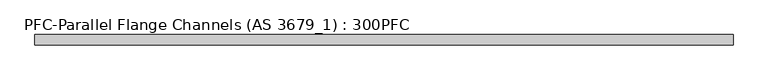
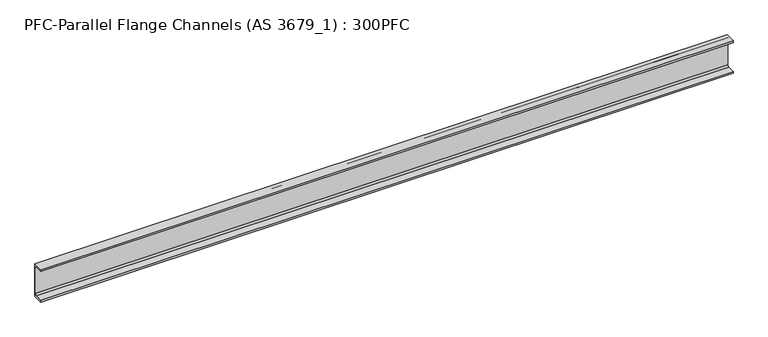
"""IFC4 building model written with IfcOpenShell, lengths in millimetres: beam geometry, PFC-Parallel Flange Channels (AS 3679_1) : 300PFC."""

import ifcopenshell
import ifcopenshell.guid

model = None  # the IFC model being written
_history = None  # IfcOwnerHistory: only IFC2X3 demands one
_inside = {}  # id of a spatial element -> (the spatial element, [elements in it])
_under = {}  # id of a project, library or spatial element -> (it, [spatial elements below it])
_declared = {}  # id of a project -> (the project, [libraries it declares])
_typed = {}  # id of a type object -> (the type object, [elements of that type])
_made_of = {}  # id of a material, layer set ... -> (it, [elements and type objects made of it])


def new_model(schema):
    """Start an empty IFC model of exactly this schema.

    Asked for "IFC4X3", IfcOpenShell would pick the latest addendum, in which some entities
    have other attributes; the version numbers below select the first issue.
    IFC2X3 requires an IfcOwnerHistory on every rooted entity: one is made here for all.
    """
    global model, _history
    if schema == "IFC4X3":
        model = ifcopenshell.file(schema_version=(4, 3, 0, 0))
    else:
        model = ifcopenshell.file(schema=schema)
    _inside.clear()
    _under.clear()
    _declared.clear()
    _typed.clear()
    _made_of.clear()
    _history = None
    if model.schema == "IFC2X3":
        org = make("IfcOrganization", Name="unknown")
        user = make(
            "IfcPersonAndOrganization",
            ThePerson=make("IfcPerson", FamilyName="unknown"),
            TheOrganization=org,
        )
        app = make(
            "IfcApplication",
            ApplicationDeveloper=org,
            Version="unknown",
            ApplicationFullName="unknown",
            ApplicationIdentifier="unknown",
        )
        _history = make(
            "IfcOwnerHistory",
            OwningUser=user,
            OwningApplication=app,
            ChangeAction="ADDED",
            CreationDate=0,
        )
    return model


def make(cls, **values):
    """One entity of the class cls with the attributes given. An attribute that is None is left unset."""
    return model.create_entity(
        cls, **{name: value for name, value in values.items() if value is not None}
    )


def rooted(cls, **values):
    """An entity with a GlobalId (a new one), such as an element, a storey or a relation."""
    return make(cls, GlobalId=ifcopenshell.guid.new(), OwnerHistory=_history, **values)


def si_unit(unit_type, name, prefix=None):
    """IfcSIUnit, for example si_unit("LENGTHUNIT", "METRE", prefix="MILLI")."""
    return make("IfcSIUnit", UnitType=unit_type, Prefix=prefix, Name=name)


def assignment(units):
    """IfcUnitAssignment: the units of a project."""
    return None if units is None else make("IfcUnitAssignment", Units=units)


def point(xyz):
    """IfcCartesianPoint."""
    return None if xyz is None else make("IfcCartesianPoint", Coordinates=xyz)


def direction(xyz):
    """IfcDirection."""
    return None if xyz is None else make("IfcDirection", DirectionRatios=xyz)


def frame(location, z_axis=None, x_axis=None):
    """IfcAxis2Placement3D, a coordinate frame: its origin and axes. An axis left out is left unset."""
    return make(
        "IfcAxis2Placement3D",
        Location=point(location),
        Axis=direction(z_axis),
        RefDirection=direction(x_axis),
    )


def frame_2d(location, x_axis=None):
    """IfcAxis2Placement2D, a coordinate frame in the plane: its origin and x axis."""
    return make(
        "IfcAxis2Placement2D", Location=point(location), RefDirection=direction(x_axis)
    )


def origin():
    """The frame at (0, 0, 0) with its axes left unset."""
    return frame((0.0, 0.0, 0.0))


def place(relative_to, where):
    """IfcLocalPlacement: puts the frame where relative to a parent placement (None: the world)."""
    return make(
        "IfcLocalPlacement", PlacementRelTo=relative_to, RelativePlacement=where
    )


def context(
    kind, dimensions, precision=None, world=None, true_north=None, identifier=None
):
    """IfcGeometricRepresentationContext, for example the 3D "Model" context."""
    return make(
        "IfcGeometricRepresentationContext",
        ContextIdentifier=identifier,
        ContextType=kind,
        CoordinateSpaceDimension=dimensions,
        Precision=precision,
        WorldCoordinateSystem=world,
        TrueNorth=true_north,
    )


def project(units=None, contexts=None):
    """IfcProject with its units and contexts."""
    return rooted(
        "IfcProject",
        Name="project",
        RepresentationContexts=contexts,
        UnitsInContext=assignment(units),
    )


def spatial(cls, under=None, at=None, **own):
    """A site, building, storey or space (cls), placed at a placement, below another one or the project."""
    s = rooted(cls, ObjectPlacement=at, **own)
    if under is not None:
        _under.setdefault(under.id(), (under, []))[1].append(s)
    return s


def polyline(points):
    """IfcPolyline through the points."""
    return make("IfcPolyline", Points=[point(p) for p in points])


def circle_curve(where, radius):
    """IfcCircle in the frame where."""
    return make("IfcCircle", Position=where, Radius=radius)


def trimmed(basis, trim1, trim2, sense, master):
    """IfcTrimmedCurve: the piece of a basis curve between two trims."""
    return make(
        "IfcTrimmedCurve",
        BasisCurve=basis,
        Trim1=trim1,
        Trim2=trim2,
        SenseAgreement=sense,
        MasterRepresentation=master,
    )


def segment(curve, same_sense, transition):
    """IfcCompositeCurveSegment."""
    return make(
        "IfcCompositeCurveSegment",
        Transition=transition,
        SameSense=same_sense,
        ParentCurve=curve,
    )


def composite_curve(segments, self_intersect=None):
    """IfcCompositeCurve: segments joined end to end."""
    return make("IfcCompositeCurve", Segments=segments, SelfIntersect=self_intersect)


def outline(outer, holes=None, kind="AREA"):
    """IfcArbitraryClosedProfileDef: a profile drawn as a closed curve; with holes, ...WithVoids."""
    if holes is None:
        return make("IfcArbitraryClosedProfileDef", ProfileType=kind, OuterCurve=outer)
    return make(
        "IfcArbitraryProfileDefWithVoids",
        ProfileType=kind,
        OuterCurve=outer,
        InnerCurves=holes,
    )


def extrude(swept, where, along, depth):
    """IfcExtrudedAreaSolid: the profile swept, set in the frame where, extruded along a direction by depth."""
    return make(
        "IfcExtrudedAreaSolid",
        SweptArea=swept,
        Position=where,
        ExtrudedDirection=direction(along),
        Depth=depth,
    )


def shape(context_of_items, identifier, shape_type, items):
    """IfcShapeRepresentation: the items that make up one representation, for example the "Body"."""
    return make(
        "IfcShapeRepresentation",
        ContextOfItems=context_of_items,
        RepresentationIdentifier=identifier,
        RepresentationType=shape_type,
        Items=items,
    )


def source(mapping_origin, context_of_items, identifier, shape_type, items):
    """IfcRepresentationMap: a shape defined once, which mapped items show again and again."""
    return make(
        "IfcRepresentationMap",
        MappingOrigin=mapping_origin,
        MappedRepresentation=shape(context_of_items, identifier, shape_type, items),
    )


def transform(
    local_origin,
    x_axis=None,
    y_axis=None,
    z_axis=None,
    scale=None,
    scale2=None,
    scale3=None,
    uniform=True,
):
    """IfcCartesianTransformationOperator3D, or its non-uniform kind. x_axis, y_axis, z_axis: its Axis1, 2, 3."""
    if uniform:
        return make(
            "IfcCartesianTransformationOperator3D",
            Axis1=direction(x_axis),
            Axis2=direction(y_axis),
            LocalOrigin=point(local_origin),
            Scale=scale,
            Axis3=direction(z_axis),
        )
    return make(
        "IfcCartesianTransformationOperator3DnonUniform",
        Axis1=direction(x_axis),
        Axis2=direction(y_axis),
        LocalOrigin=point(local_origin),
        Scale=scale,
        Axis3=direction(z_axis),
        Scale2=scale2,
        Scale3=scale3,
    )


def mapped(mapping_source, mapping_target):
    """IfcMappedItem: shows the shape of a source again, moved by a transform."""
    return make(
        "IfcMappedItem", MappingSource=mapping_source, MappingTarget=mapping_target
    )


def made_of(thing, what):
    """Note that an element or type object is made of a material, layer set ...; save() writes the relation."""
    if what is not None:
        _made_of.setdefault(what.id(), (what, []))[1].append(thing)
    return thing


def element(
    cls,
    number,
    at=None,
    inside=None,
    cuts=None,
    type_object=None,
    material=None,
    context=None,
    identifier="Body",
    shape_type=None,
    held_by="IfcProductDefinitionShape",
    body=None,
    shapes=None,
    **own,
):
    """One element of the class cls, such as IfcWall. Its Tag is "e" and its number.

    at: its placement. inside: the storey or other place that contains it. cuts: it is an
    opening in that element (IfcRelVoidsElement). A single representation is given by context,
    identifier, shape_type and body (its items); several are given by shapes. held_by: the class
    of the entity that holds the representations. save() writes the other relations.
    """
    e = rooted(cls, Tag="e%d" % number, ObjectPlacement=at, **own)
    if body is not None:
        shapes = [shape(context, identifier, shape_type, body)]
    if shapes is not None:
        e.Representation = make(held_by, Representations=shapes)
    if inside is not None:
        _inside.setdefault(inside.id(), (inside, []))[1].append(e)
    if cuts is not None:
        rooted(
            "IfcRelVoidsElement", RelatingBuildingElement=cuts, RelatedOpeningElement=e
        )
    if type_object is not None:
        _typed.setdefault(type_object.id(), (type_object, []))[1].append(e)
    return made_of(e, material)


def aggregate(whole, parts):
    """IfcRelAggregates: a whole, such as a stair, and the parts it consists of."""
    return rooted("IfcRelAggregates", RelatingObject=whole, RelatedObjects=parts)


def save(model, path):
    """Write the relations noted so far, then the file.

    IfcRelAggregates (storeys below a building ...), IfcRelContainedInSpatialStructure (elements
    in a storey), IfcRelDefinesByType, IfcRelAssociatesMaterial and IfcRelDeclares: one each for
    every whole, place, type object, material and project.
    """
    for whole, parts in _under.values():
        aggregate(whole, parts)
    for where, things in _inside.values():
        rooted(
            "IfcRelContainedInSpatialStructure",
            RelatedElements=things,
            RelatingStructure=where,
        )
    for kind, things in _typed.values():
        rooted("IfcRelDefinesByType", RelatedObjects=things, RelatingType=kind)
    for what, things in _made_of.values():
        rooted("IfcRelAssociatesMaterial", RelatedObjects=things, RelatingMaterial=what)
    for by, libraries in _declared.values():
        rooted("IfcRelDeclares", RelatingContext=by, RelatedDefinitions=libraries)
    model.write(path)


def pfc_parallel_flange_channels_as_3679_1_300pfc_38c2caee(model_context):
    return source(origin(), model_context, "Body", "SweptSolid", [
        extrude(outline(composite_curve([segment(polyline([(27.2, 150.0), (27.2, -150.0), (-62.8, -150.0), (-62.8, -134.0), (5.2, -134.0)]), True, "CONTINUOUS"), segment(trimmed(circle_curve(frame_2d((5.2, -120.0)), 14.0), [point((5.2, -134.0))], [point((19.2, -120.0))], True, "CARTESIAN"), True, "CONTINUOUS"), segment(polyline([(19.2, -120.0), (19.2, 120.0)]), True, "CONTINUOUS"), segment(trimmed(circle_curve(frame_2d((5.2, 120.0)), 14.0), [point((19.2, 120.0))], [point((5.2, 134.0))], True, "CARTESIAN"), True, "CONTINUOUS"), segment(polyline([(5.2, 134.0), (-62.8, 134.0), (-62.8, 150.0), (27.2, 150.0)]), True, "CONTINUOUS")], self_intersect=False)), frame((-3022.5, 0.0, 0.0), z_axis=(1.0, 0.0, 0.0), x_axis=(0.0, 1.0, 0.0)), (0.0, 0.0, 1.0), 6045.0),
    ])


if __name__ == "__main__":
    model = new_model("IFC4")
    model_context = context("Model", 3, world=origin())
    ifc_project = project(units=[si_unit("LENGTHUNIT", "METRE", prefix="MILLI")], contexts=[model_context])
    site = spatial("IfcSite", under=ifc_project)
    building = spatial("IfcBuilding", under=site)
    placement = place(None, origin())
    pfc_parallel_flange_channels_as_3679_1_300pfc_shape = pfc_parallel_flange_channels_as_3679_1_300pfc_38c2caee(model_context)
    element("IfcBeam", 1, ObjectType="PFC-Parallel Flange Channels (AS 3679_1) : 300PFC", at=placement, inside=building, context=model_context, shape_type="MappedRepresentation", body=[
        mapped(pfc_parallel_flange_channels_as_3679_1_300pfc_shape, transform((0.0, 0.0, 0.0), x_axis=(1.0, 0.0, 0.0), y_axis=(0.0, 1.0, 0.0), z_axis=(0.0, 0.0, 1.0))),
    ])
    save(model, "model.ifc")
